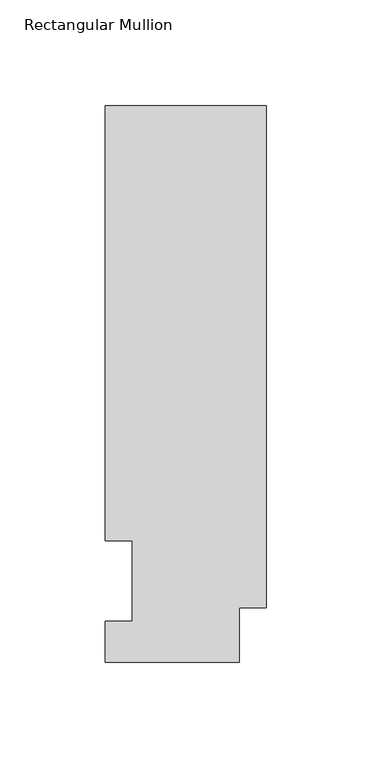
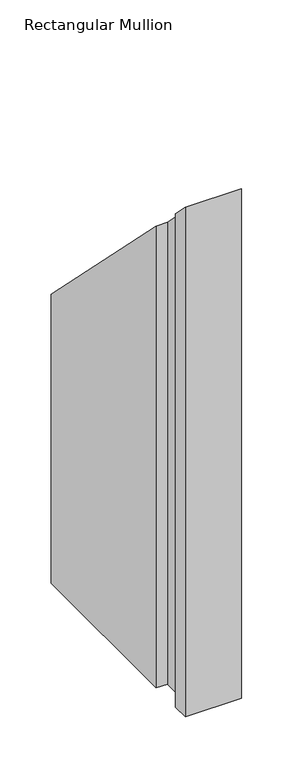
"""IFC4 building model written with IfcOpenShell, lengths in millimetres: member geometry, Rectangular Mullion."""

from ifc_helpers import new_model, si_unit, origin, place, context, project, spatial, faceted_brep, source, transform, mapped, element, save


def rectangular_mullion_c3f65545(model_context):
    return source(origin(), model_context, "Body", "Brep", [
        faceted_brep([(0.0, 25.8960937, -609.6), (-12.7, 25.8960937, -609.6), (-12.7, 0.0134938, -609.6), (-76.2, 0.0134938, -609.6), (-76.2, 19.5460938, -609.6), (-63.5127, 19.5460938, -609.6), (-63.5127, 57.6460937, -609.6), (-76.2, 57.6460938, -609.6), (-76.2, 264.0210938, -609.6), (0.0, 264.0210938, -609.6), (0.0, 264.0210938, -264.0210937), (0.0, 25.8960937, -25.8960937), (-76.2, 264.0210938, -264.0210937), (-76.2, 57.6460938, -57.6460937), (-63.5127, 57.6460938, -57.6460937), (-63.5127, 19.5460938, -19.5460938), (-76.2, 19.5460938, -19.5460938), (-76.2, 0.0134938, -0.0134938), (-12.7, 0.0134938, -0.0134938), (-12.7, 25.8960937, -25.8960937)], [[[0, 1, 2, 3, 4, 5, 6, 7, 8, 9]], [[10, 11, 0, 9]], [[12, 10, 9, 8]], [[13, 12, 8, 7]], [[14, 13, 7, 6]], [[15, 14, 6, 5]], [[16, 15, 5, 4]], [[17, 16, 4, 3]], [[18, 17, 3, 2]], [[19, 18, 2, 1]], [[11, 19, 1, 0]], [[11, 10, 12, 13, 14, 15, 16, 17, 18, 19]]]),
    ])


if __name__ == "__main__":
    model = new_model("IFC4")
    model_context = context("Model", 3, world=origin())
    ifc_project = project(units=[si_unit("LENGTHUNIT", "METRE", prefix="MILLI")], contexts=[model_context])
    site = spatial("IfcSite", under=ifc_project)
    building = spatial("IfcBuilding", under=site)
    placement = place(None, origin())
    rectangular_mullion_shape = rectangular_mullion_c3f65545(model_context)
    element("IfcMember", 1, ObjectType="Rectangular Mullion", at=placement, inside=building, context=model_context, shape_type="MappedRepresentation", body=[
        mapped(rectangular_mullion_shape, transform((0.0, 0.0, 0.0), x_axis=(1.0, 0.0, 0.0), y_axis=(0.0, 1.0, 0.0), z_axis=(0.0, 0.0, 1.0))),
    ])
    save(model, "model.ifc")
